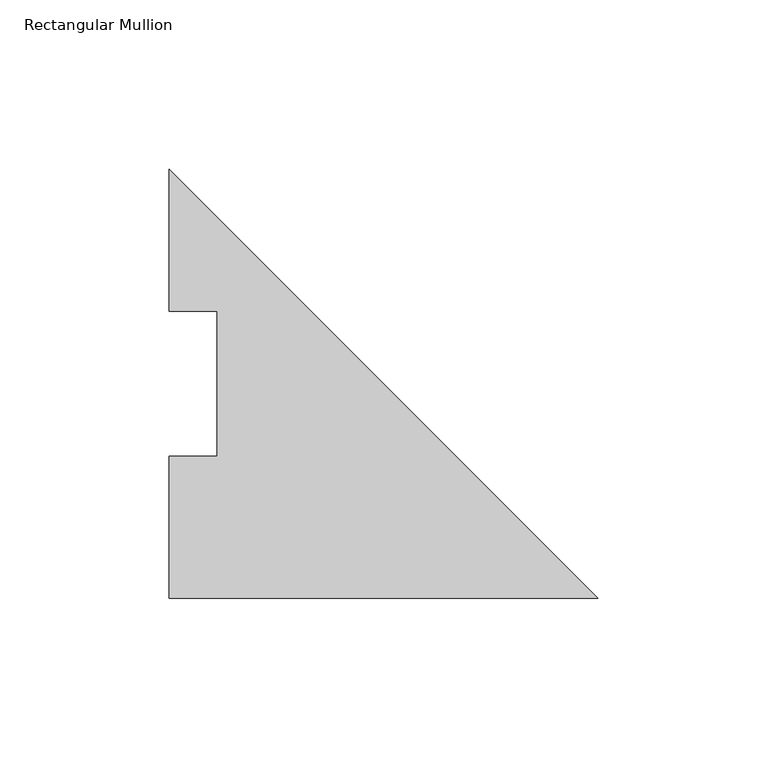
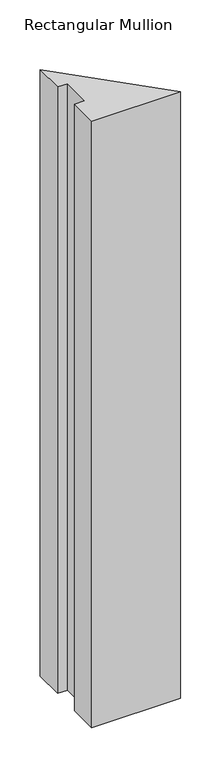
"""IFC4 building model written with IfcOpenShell, lengths in millimetres: member geometry, Rectangular Mullion."""

from ifc_helpers import new_model, si_unit, frame, origin, place, context, project, spatial, polyline, outline, extrude, source, transform, mapped, element, save


def rectangular_mullion_63565d16(model_context):
    return source(origin(), model_context, "Body", "SweptSolid", [
        extrude(outline(polyline([(-127.0, -0.2913062), (-127.0, 41.7837938), (-112.7125, 41.7837938), (-112.7125, 84.6335937), (-127.0, 84.6335937), (-127.0, 126.7086937), (0.0, -0.2913062), (-127.0, -0.2913062)])), frame((0.0, 0.0, -914.4), z_axis=(0.0, 0.0, 1.0), x_axis=(1.0, 0.0, 0.0)), (0.0, 0.0, 1.0), 914.4),
    ])


if __name__ == "__main__":
    model = new_model("IFC4")
    model_context = context("Model", 3, world=origin())
    ifc_project = project(units=[si_unit("LENGTHUNIT", "METRE", prefix="MILLI")], contexts=[model_context])
    site = spatial("IfcSite", under=ifc_project)
    building = spatial("IfcBuilding", under=site)
    placement = place(None, origin())
    rectangular_mullion_shape = rectangular_mullion_63565d16(model_context)
    element("IfcMember", 1, ObjectType="Rectangular Mullion", at=placement, inside=building, context=model_context, shape_type="MappedRepresentation", body=[
        mapped(rectangular_mullion_shape, transform((0.0, 0.0, 0.0), x_axis=(1.0, 0.0, 0.0), y_axis=(0.0, 1.0, 0.0), z_axis=(0.0, 0.0, 1.0))),
    ])
    save(model, "model.ifc")
